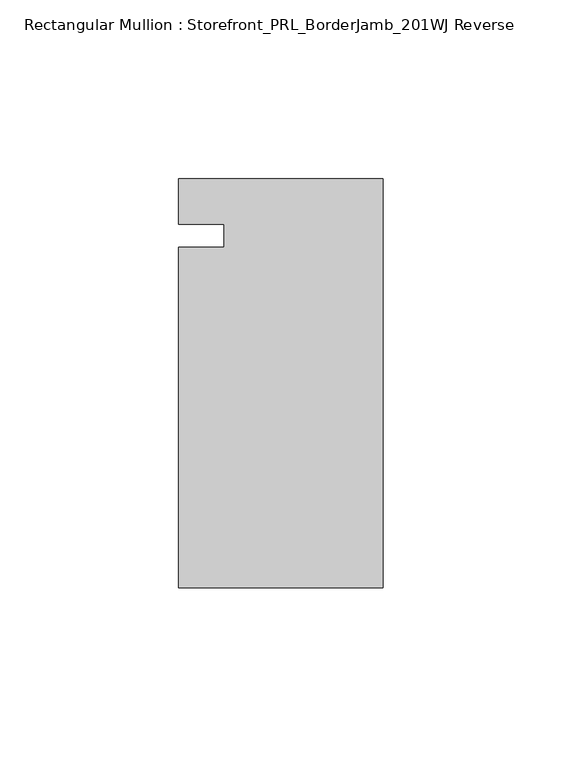
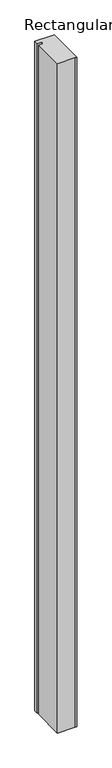
"""IFC4 building model written with IfcOpenShell, lengths in millimetres: member geometry, Rectangular Mullion : Storefront_PRL_BorderJamb_201WJ Reverse."""

from ifc_helpers import new_model, si_unit, frame, origin, place, context, project, spatial, polyline, outline, extrude, source, transform, mapped, element, save


def rectangular_mullion_storefront_prl_borderjamb_201wj_reverse_57496b38(model_context):
    return source(origin(), model_context, "Body", "SweptSolid", [
        extrude(outline(polyline([(-44.45, -3.175), (-44.45, 3.175), (-57.15, 3.175), (-57.15, 15.875), (-7.3958824, 15.875), (0.0, 15.875), (0.0, -98.425), (-6.35, -98.425), (-57.15, -98.425), (-57.15, -3.175), (-44.45, -3.175)])), frame((0.0, 0.0, -2076.45), z_axis=(0.0, 0.0, 1.0), x_axis=(1.0, 0.0, 0.0)), (0.0, 0.0, 1.0), 2076.45),
    ])


if __name__ == "__main__":
    model = new_model("IFC4")
    model_context = context("Model", 3, world=origin())
    ifc_project = project(units=[si_unit("LENGTHUNIT", "METRE", prefix="MILLI")], contexts=[model_context])
    site = spatial("IfcSite", under=ifc_project)
    building = spatial("IfcBuilding", under=site)
    placement = place(None, origin())
    rectangular_mullion_storefront_prl_borderjamb_201wj_reverse_shape = rectangular_mullion_storefront_prl_borderjamb_201wj_reverse_57496b38(model_context)
    element("IfcMember", 1, ObjectType="Rectangular Mullion : Storefront_PRL_BorderJamb_201WJ Reverse", at=placement, inside=building, context=model_context, shape_type="MappedRepresentation", body=[
        mapped(rectangular_mullion_storefront_prl_borderjamb_201wj_reverse_shape, transform((0.0, 0.0, 0.0), x_axis=(1.0, 0.0, 0.0), y_axis=(0.0, 1.0, 0.0), z_axis=(0.0, 0.0, 1.0))),
    ])
    save(model, "model.ifc")
